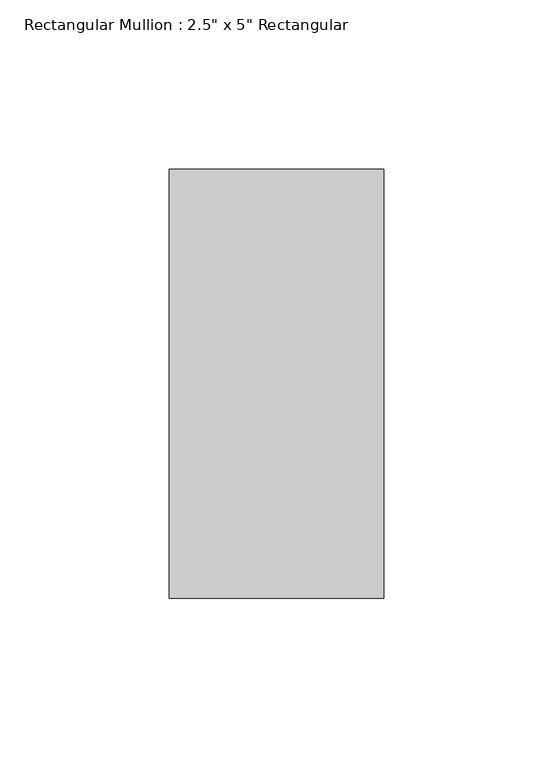
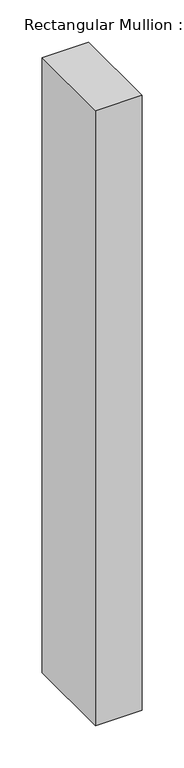
"""IFC4 building model written with IfcOpenShell, lengths in millimetres: member geometry."""

from ifc_helpers import new_model, si_unit, frame, origin, place, context, project, spatial, polyline, outline, extrude, source, transform, mapped, element, save


def member_26863f11(model_context):
    return source(origin(), model_context, "Body", "SweptSolid", [
        extrude(outline(polyline([(0.0, 63.5), (0.0, -63.5), (-63.5, -63.5), (-63.5, 63.5), (0.0, 63.5)])), frame((0.0, 0.0, -889.0), z_axis=(0.0, 0.0, 1.0), x_axis=(1.0, 0.0, 0.0)), (0.0, 0.0, 1.0), 889.0),
    ])


if __name__ == "__main__":
    model = new_model("IFC4")
    model_context = context("Model", 3, world=origin())
    ifc_project = project(units=[si_unit("LENGTHUNIT", "METRE", prefix="MILLI")], contexts=[model_context])
    site = spatial("IfcSite", under=ifc_project)
    building = spatial("IfcBuilding", under=site)
    placement = place(None, origin())
    member_shape = member_26863f11(model_context)
    element("IfcMember", 1, ObjectType="Rectangular Mullion : 2.5\" x 5\" Rectangular", at=placement, inside=building, context=model_context, shape_type="MappedRepresentation", body=[
        mapped(member_shape, transform((0.0, 0.0, 0.0), x_axis=(1.0, 0.0, 0.0), y_axis=(0.0, 1.0, 0.0), z_axis=(0.0, 0.0, 1.0))),
    ])
    save(model, "model.ifc")
